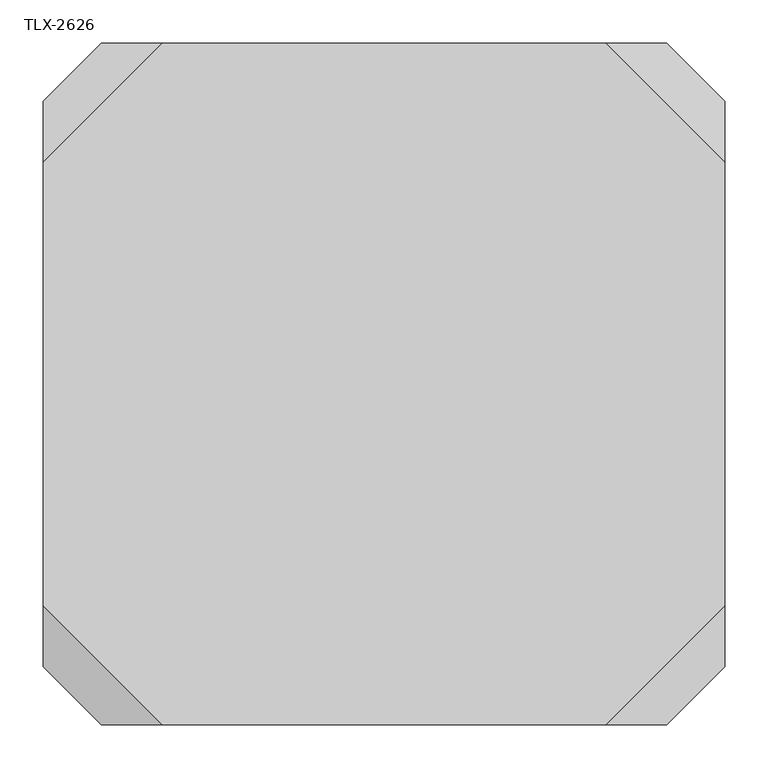
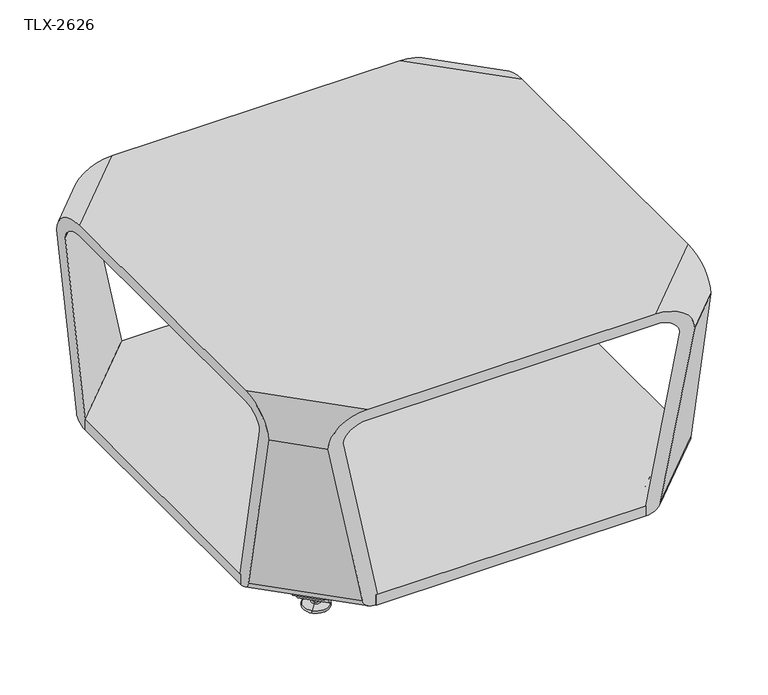
"""IFC4 building model written with IfcOpenShell, lengths in millimetres: furniture geometry, TLX-2626."""

from ifc_helpers import new_model, si_unit, point, frame, frame_2d, origin, place, context, project, spatial, polyline, circle_curve, ellipse_curve, trimmed, segment, composite_curve, outline, extrude, source, transform, mapped, element, save
from ifc_brep_helpers import plane_surface, cylinder_surface, revolved_surface, advanced_brep


def tlx_2626_ecda56d9(model_context):
    return source(origin(), model_context, "Body", "SolidModel", [
        extrude(outline(polyline([(48.8463, 760.7206386), (204.4795706, 916.3539092), (684.5815184, 916.3539092), (840.21505, 760.7203776), (840.21505, 280.6184321), (684.5817772, 124.9851592), (202.4653603, 124.9851592), (48.8463, 278.6042195), (48.8463, 760.7206386)])), frame((0.0, 0.0, 50.0000004), z_axis=(0.0, 0.0, 1.0), x_axis=(1.0, 0.0, 0.0)), (0.0, 0.0, 1.0), 18.9999985),
        advanced_brep(
        [(187.2373017, 124.9851592, 425.45), (701.8240484, 124.9851592, 425.45), (840.21505, 263.3761609, 425.45), (840.21505, 777.9629076, 425.45), (701.8240484, 916.3539092, 425.45), (187.2373017, 916.3539092, 425.45), (48.8463, 777.9629076, 425.45), (48.8463, 263.3761609, 425.45), (48.8463, 263.3761609, 406.0000002), (48.8463, 777.9629076, 406.0000002), (187.2373027, 916.3539082, 406.0000002), (701.8240484, 916.3539092, 406.0000002), (840.215049, 777.9629066, 406.0000002), (840.21505, 263.3761609, 406.0000002), (701.8240474, 124.9851602, 406.0000002), (187.2373017, 124.9851592, 406.0000002), (48.8463, 848.6736351, 375.0000029), (48.8463, 787.3290873, 66.3557108), (48.8463, 760.7205007, 50.0000004), (48.8463, 760.7205371, 68.9999989), (48.8463, 821.7722248, 376.1711523), (48.8463, 219.5668436, 376.1711523), (48.8463, 280.6185314, 68.9999989), (48.8463, 280.6185677, 50.0000004), (48.8463, 254.0099811, 66.3557108), (48.8463, 192.6654334, 375.0000029), (745.6333656, 124.9851592, 376.1711523), (684.5816779, 124.9851592, 68.9999989), (684.5816415, 124.9851592, 50.0000004), (711.1902281, 124.9851592, 66.3557108), (772.5347759, 124.9851592, 375.0000029), (116.5265742, 124.9851592, 375.0000029), (177.8711219, 124.9851592, 66.3557108), (204.4797085, 124.9851592, 50.0000004), (204.4796722, 124.9851592, 68.9999989), (143.4279845, 124.9851592, 376.1711523), (143.4279845, 916.3539092, 376.1711523), (204.4796722, 916.3539092, 68.9999989), (204.4797085, 916.3539092, 50.0000004), (177.8711219, 916.3539092, 66.3557108), (116.5265742, 916.3539092, 375.0000029), (745.6333656, 916.3539092, 376.1711523), (772.5347759, 916.3539092, 375.0000029), (711.1902281, 916.3539092, 66.3557108), (684.5816415, 916.3539092, 50.0000004), (684.5816779, 916.3539092, 68.9999989), (840.21505, 821.7722248, 376.1711523), (840.21505, 760.7205371, 68.9999989), (840.21505, 760.7205007, 50.0000004), (840.21505, 787.3290873, 66.3557108), (840.21505, 848.6736351, 375.0000029), (840.21505, 219.5668436, 376.1711523), (840.21505, 192.6654334, 375.0000029), (840.21505, 254.0099811, 66.3557108), (840.21505, 280.6185677, 50.0000004), (840.21505, 280.6185314, 68.9999989)],
        [
            (0, 1),
            (1, 2),
            (2, 3),
            (3, 4),
            (4, 5),
            (5, 6),
            (6, 7),
            (7, 0),
            (8, 9),
            (9, 10),
            (10, 11),
            (11, 12),
            (12, 13),
            (13, 14),
            (14, 15),
            (15, 8),
            (6, 16, ellipse_curve(frame((48.8463, 777.1245544, 374.8604405), z_axis=(-1.0, 0.0, 0.0), x_axis=(0.0, -1.0, 0.0)), 71.5493529, 50.5930326)),
            (16, 17),
            (17, 18, ellipse_curve(frame((48.8463, 760.7205266, 69.000001), z_axis=(-1.0, 0.0, 0.0), x_axis=(0.0, -1.0, 0.0)), 26.8700585, 19.0000006)),
            (18, 19),
            (19, 20),
            (20, 9, ellipse_curve(frame((48.8463, 777.9629055, 375.0000031), z_axis=(1.0, 0.0, 0.0), x_axis=(0.0, 1.0, 0.0)), 43.8406163, 30.9999971)),
            (8, 21, ellipse_curve(frame((48.8463, 263.3761629, 375.0000031), z_axis=(1.0, 0.0, 0.0), x_axis=(0.0, -1.0, 0.0)), 43.8406163, 30.9999971)),
            (21, 22),
            (22, 23),
            (23, 24, ellipse_curve(frame((48.8463, 280.6185418, 69.000001), z_axis=(-1.0, 0.0, 0.0), x_axis=(0.0, 1.0, 0.0)), 26.8700585, 19.0000006)),
            (24, 25),
            (25, 7, ellipse_curve(frame((48.8463, 264.214514, 374.8604405), z_axis=(-1.0, 0.0, 0.0), x_axis=(0.0, 1.0, 0.0)), 71.5493529, 50.5930326)),
            (14, 26, ellipse_curve(frame((701.8240463, 124.9851592, 375.0000031), z_axis=(0.0, 1.0, 0.0), x_axis=(-1.0, 0.0, 0.0)), 43.8406163, 30.9999971)),
            (26, 27),
            (27, 28),
            (28, 29, ellipse_curve(frame((684.5816674, 124.9851592, 69.000001), z_axis=(0.0, -1.0, 0.0), x_axis=(1.0, 0.0, 0.0)), 26.8700585, 19.0000006)),
            (29, 30),
            (30, 1, ellipse_curve(frame((700.9856953, 124.9851592, 374.8604405), z_axis=(0.0, -1.0, 0.0), x_axis=(1.0, 0.0, 0.0)), 71.5493529, 50.5930326)),
            (0, 31, ellipse_curve(frame((188.0756548, 124.9851592, 374.8604405), z_axis=(0.0, -1.0, 0.0), x_axis=(-1.0, 0.0, 0.0)), 71.5493529, 50.5930326)),
            (31, 32),
            (32, 33, ellipse_curve(frame((204.4796826, 124.9851592, 69.000001), z_axis=(0.0, -1.0, 0.0), x_axis=(-1.0, 0.0, 0.0)), 26.8700585, 19.0000006)),
            (33, 34),
            (34, 35),
            (35, 15, ellipse_curve(frame((187.2373037, 124.9851592, 375.0000031), z_axis=(0.0, 1.0, 0.0), x_axis=(1.0, 0.0, 0.0)), 43.8406163, 30.9999971)),
            (35, 21),
            (34, 22),
            (33, 23),
            (32, 24),
            (31, 25),
            (36, 10, ellipse_curve(frame((187.2373037, 916.3539092, 375.0000031), z_axis=(0.0, 1.0, 0.0), x_axis=(1.0, 0.0, 0.0)), 43.8406163, 30.9999971)),
            (20, 36),
            (37, 36),
            (19, 37),
            (38, 37),
            (18, 38),
            (39, 38, ellipse_curve(frame((204.4796826, 916.3539092, 69.000001), z_axis=(0.0, -1.0, 0.0), x_axis=(-1.0, 0.0, 0.0)), 26.8700585, 19.0000006)),
            (17, 39),
            (40, 39),
            (16, 40),
            (5, 40, ellipse_curve(frame((188.0756548, 916.3539092, 374.8604405), z_axis=(0.0, -1.0, 0.0), x_axis=(-1.0, 0.0, 0.0)), 71.5493529, 50.5930326)),
            (41, 11, ellipse_curve(frame((701.8240463, 916.3539092, 375.0000031), z_axis=(0.0, -1.0, 0.0), x_axis=(-1.0, 0.0, 0.0)), 43.8406163, 30.9999971)),
            (4, 42, ellipse_curve(frame((700.9856953, 916.3539092, 374.8604405), z_axis=(0.0, 1.0, 0.0), x_axis=(1.0, 0.0, 0.0)), 71.5493529, 50.5930326)),
            (42, 43),
            (43, 44, ellipse_curve(frame((684.5816674, 916.3539092, 69.000001), z_axis=(0.0, 1.0, 0.0), x_axis=(1.0, 0.0, 0.0)), 26.8700585, 19.0000006)),
            (44, 45),
            (45, 41),
            (46, 12, ellipse_curve(frame((840.21505, 777.9629055, 375.0000031), z_axis=(1.0, 0.0, 0.0), x_axis=(0.0, 1.0, 0.0)), 43.8406163, 30.9999971)),
            (41, 46),
            (47, 46),
            (45, 47),
            (48, 47),
            (44, 48),
            (49, 48, ellipse_curve(frame((840.21505, 760.7205266, 69.000001), z_axis=(-1.0, 0.0, 0.0), x_axis=(0.0, -1.0, 0.0)), 26.8700585, 19.0000006)),
            (43, 49),
            (50, 49),
            (42, 50),
            (3, 50, ellipse_curve(frame((840.21505, 777.1245544, 374.8604405), z_axis=(-1.0, 0.0, 0.0), x_axis=(0.0, -1.0, 0.0)), 71.5493529, 50.5930326)),
            (51, 13, ellipse_curve(frame((840.21505, 263.3761629, 375.0000031), z_axis=(-1.0, 0.0, 0.0), x_axis=(0.0, -1.0, 0.0)), 43.8406163, 30.9999971)),
            (2, 52, ellipse_curve(frame((840.21505, 264.214514, 374.8604405), z_axis=(1.0, 0.0, 0.0), x_axis=(0.0, 1.0, 0.0)), 71.5493529, 50.5930326)),
            (52, 53),
            (53, 54, ellipse_curve(frame((840.21505, 280.6185418, 69.000001), z_axis=(1.0, 0.0, 0.0), x_axis=(0.0, 1.0, 0.0)), 26.8700585, 19.0000006)),
            (54, 55),
            (55, 51),
            (51, 26),
            (55, 27),
            (54, 28),
            (53, 29),
            (52, 30),
        ],
        [
            plane_surface(frame((2.1485306, 310.0739303, 425.45), z_axis=(0.0, 0.0, 1.0), x_axis=(0.707106781186546, -0.707106781186549, 0.0))),
            plane_surface(frame((2.1485306, 310.0739303, 406.0000002), z_axis=(0.0, 0.0, -1.0), x_axis=(-0.707106781186546, 0.707106781186549, 0.0))),
            plane_surface(frame((48.8463, 777.9629076, 425.45), z_axis=(-1.0, 0.0, 0.0), x_axis=(0.0, 0.0, -1.0))),
            plane_surface(frame((840.21505, 124.9851592, 476.25), z_axis=(0.0, -1.0, 0.0), x_axis=(0.0, 0.0, -1.0))),
            revolved_surface(polyline([(187.23730373382668, 81.14454293382686, 375.0000031), (5.0056837338270554, 263.3761629338273, 375.0000031)]), (243.7653876, 68.4570754, 375.0000031), (0.707106781186546, -0.7071067811865491, 0.0)),
            plane_surface(frame((-29.5864435, 297.9995871, 376.1711523), z_axis=(0.7002252753679965, 0.7002252753679934, 0.13917301272743768), x_axis=(0.707106781186546, -0.7071067811865491, 0.0))),
            plane_surface(frame((0.9394004, 328.525431, 68.9999989), z_axis=(0.7071067811859026, 0.7071067811858995, 1.352248489994529e-06), x_axis=(0.707106781186546, -0.7071067811865491, 0.0))),
            cylinder_surface(frame((252.386577, 77.0782648, 69.000001), z_axis=(-0.707106781186546, 0.7071067811865491, 0.0), x_axis=(-0.7071067811865491, -0.707106781186546, 0.0)), 19.0000006),
            plane_surface(frame((-12.3648747, 315.2211559, 66.3557108), z_axis=(-0.7002252605744772, -0.7002252605744741, -0.1391731615894944), x_axis=(0.707106781186546, -0.7071067811865491, 0.0))),
            cylinder_surface(frame((244.1845631, 68.8762509, 374.8604405), z_axis=(-0.707106781186546, 0.7071067811865491, 0.0), x_axis=(-0.7071067811865491, -0.707106781186546, 0.0)), 50.5930326),
            revolved_surface(polyline([(187.23730368382664, 960.1945255161731, 375.0000031), (5.005683683827044, 777.9629055161728, 375.0000031)]), (243.7653876, 972.8819931, 375.0000031), (0.707106781186546, 0.7071067811865491, 0.0)),
            plane_surface(frame((0.9394004, 712.8136375, 68.9999989), z_axis=(0.7002252753679965, -0.7002252753679934, 0.13917301272743787), x_axis=(0.707106781186546, 0.7071067811865491, 0.0))),
            plane_surface(frame((0.9394186, 712.8136193, 50.0000004), z_axis=(0.7071067811859026, -0.7071067811858995, 1.352248489364839e-06), x_axis=(0.707106781186546, 0.7071067811865491, 0.0))),
            cylinder_surface(frame((252.386577, 964.2608036, 69.000001), z_axis=(-0.707106781186546, -0.7071067811865491, 0.0), x_axis=(-0.7071067811865491, 0.707106781186546, 0.0)), 19.0000006),
            plane_surface(frame((-43.0371486, 756.7901865, 375.0000029), z_axis=(-0.7002252605744772, 0.7002252605744741, -0.13917316158949417), x_axis=(0.707106781186546, 0.7071067811865491, 0.0))),
            cylinder_surface(frame((244.1845631, 972.4628175, 374.8604405), z_axis=(-0.707106781186546, -0.7071067811865491, 0.0), x_axis=(-0.7071067811865491, 0.707106781186546, 0.0)), 50.5930326),
            plane_surface(frame((48.8463, 916.3539092, 476.25), z_axis=(0.0, 1.0, 0.0), x_axis=(0.0, 0.0, -1.0))),
            revolved_surface(polyline([(701.8240463661734, 960.1945255661732, 375.0000031), (884.055666366173, 777.9629055661728, 375.0000031)]), (645.2959625, 972.8819931, 375.0000031), (-0.707106781186546, 0.7071067811865491, 0.0)),
            plane_surface(frame((918.6477935, 743.3394813, 376.1711523), z_axis=(-0.7002252753679965, -0.7002252753679934, 0.13917301272743787), x_axis=(-0.707106781186546, 0.7071067811865491, 0.0))),
            plane_surface(frame((888.1219497, 712.8136375, 68.9999989), z_axis=(-0.7071067811859026, -0.7071067811858995, 1.352248489364839e-06), x_axis=(-0.707106781186546, 0.7071067811865491, 0.0))),
            cylinder_surface(frame((636.674773, 964.2608036, 69.000001), z_axis=(0.707106781186546, -0.7071067811865491, 0.0), x_axis=(0.7071067811865491, 0.707106781186546, 0.0)), 19.0000006),
            plane_surface(frame((901.4262248, 726.1179126, 66.3557108), z_axis=(0.7002252605744772, 0.7002252605744741, -0.1391731615894943), x_axis=(-0.707106781186546, 0.7071067811865491, 0.0))),
            cylinder_surface(frame((644.8767869, 972.4628175, 374.8604405), z_axis=(0.707106781186546, -0.7071067811865491, 0.0), x_axis=(0.7071067811865491, 0.707106781186546, 0.0)), 50.5930326),
            plane_surface(frame((840.21505, 916.3539092, 476.25), z_axis=(1.0, 0.0, 0.0), x_axis=(0.0, 0.0, -1.0))),
            revolved_surface(polyline([(701.8240463161734, 81.14454288382686, 375.0000031), (884.055666316173, 263.3761628838273, 375.0000031)]), (645.2959625, 68.4570754, 375.0000031), (-0.707106781186546, -0.7071067811865491, 0.0)),
            plane_surface(frame((888.1219497, 328.525431, 68.9999989), z_axis=(-0.7002252753679964, 0.7002252753679935, 0.13917301272743776), x_axis=(-0.7071067811865461, -0.707106781186549, 0.0))),
            plane_surface(frame((888.1219315, 328.5254492, 50.0000004), z_axis=(-0.7071067811859026, 0.7071067811858995, 1.3522484887351925e-06), x_axis=(-0.707106781186546, -0.7071067811865491, 0.0))),
            cylinder_surface(frame((636.674773, 77.0782648, 69.000001), z_axis=(0.707106781186546, 0.7071067811865491, 0.0), x_axis=(0.7071067811865491, -0.707106781186546, 0.0)), 19.0000006),
            plane_surface(frame((932.0984987, 284.548882, 375.0000029), z_axis=(0.7002252605744771, -0.7002252605744742, -0.13917316158949428), x_axis=(-0.7071067811865461, -0.707106781186549, 0.0))),
            cylinder_surface(frame((644.8767869, 68.8762509, 374.8604405), z_axis=(0.707106781186546, 0.7071067811865491, 0.0), x_axis=(0.7071067811865491, -0.707106781186546, 0.0)), 50.5930326),
        ],
        [
            (0, [[1, 2, 3, 4, 5, 6, 7, 8]]),
            (1, [[9, 10, 11, 12, 13, 14, 15, 16]]),
            (2, [[-7, 17, 18, 19, 20, 21, 22, -9, 23, 24, 25, 26, 27, 28]]),
            (3, [[29, 30, 31, 32, 33, 34, -1, 35, 36, 37, 38, 39, 40, -15]]),
            (4, [[-40, 41, -23, -16]]),
            (5, [[-39, 42, -24, -41]]),
            (6, [[-38, 43, -25, -42]]),
            (7, [[-37, 44, -26, -43]]),
            (8, [[-36, 45, -27, -44]]),
            (9, [[-35, -8, -28, -45]]),
            (10, [[46, -10, -22, 47]]),
            (11, [[48, -47, -21, 49]]),
            (12, [[50, -49, -20, 51]]),
            (13, [[52, -51, -19, 53]]),
            (14, [[54, -53, -18, 55]]),
            (15, [[56, -55, -17, -6]]),
            (16, [[57, -11, -46, -48, -50, -52, -54, -56, -5, 58, 59, 60, 61, 62]]),
            (17, [[63, -12, -57, 64]]),
            (18, [[65, -64, -62, 66]]),
            (19, [[67, -66, -61, 68]]),
            (20, [[69, -68, -60, 70]]),
            (21, [[71, -70, -59, 72]]),
            (22, [[73, -72, -58, -4]]),
            (23, [[74, -13, -63, -65, -67, -69, -71, -73, -3, 75, 76, 77, 78, 79]]),
            (24, [[-74, 80, -29, -14]]),
            (25, [[-79, 81, -30, -80]]),
            (26, [[-78, 82, -31, -81]]),
            (27, [[-77, 83, -32, -82]]),
            (28, [[-76, 84, -33, -83]]),
            (29, [[-75, -2, -34, -84]]),
        ],
    ),
        advanced_brep(
        [(160.9802573, 237.1191165, 7.8133431), (154.2450652, 230.3839244, 7.8133431), (151.9582655, 228.0971247, 7.8133431), (163.267057, 239.4059162, 7.8133431), (142.0995325, 218.2383917, 4.0775), (173.12579, 249.2646492, 4.0775), (142.3898361, 218.5286953, 0.0), (172.8354864, 248.9743456, 0.0), (157.6126612, 233.7515204, 0.0), (157.6126612, 233.7515204, 50.0000004), (154.2450652, 230.3839244, 50.0000004), (160.9802573, 237.1191165, 50.0000004)],
        [
            (0, 1, circle_curve(frame((157.6126612, 233.7515204, 7.8133431), z_axis=(0.0, 0.0, -1.0), x_axis=(-0.7071067811865458, -0.7071067811865493, 0.0)), 4.7625)),
            (1, 2),
            (2, 3, circle_curve(frame((157.6126612, 233.7515204, 7.8133431), z_axis=(0.0, 0.0, 1.0), x_axis=(-0.7071067811865458, -0.7071067811865493, 0.0)), 7.9965232)),
            (3, 0),
            (1, 0, circle_curve(frame((157.6126612, 233.7515204, 7.8133431), z_axis=(0.0, 0.0, -1.0), x_axis=(-0.7071067811865458, -0.7071067811865493, 0.0)), 4.7625)),
            (3, 2, circle_curve(frame((157.6126612, 233.7515204, 7.8133431), z_axis=(0.0, 0.0, 1.0), x_axis=(-0.7071067811865458, -0.7071067811865493, 0.0)), 7.9965232)),
            (2, 4),
            (4, 5, circle_curve(frame((157.6126612, 233.7515204, 4.0775), z_axis=(0.0, 0.0, 1.0), x_axis=(-0.7071067811865458, -0.7071067811865493, 0.0)), 21.9388771)),
            (5, 3),
            (5, 4, circle_curve(frame((157.6126612, 233.7515204, 4.0775), z_axis=(0.0, 0.0, 1.0), x_axis=(-0.7071067811865458, -0.7071067811865493, 0.0)), 21.9388771)),
            (4, 6, circle_curve(frame((142.4794774, 218.6183366, 2.0721829), z_axis=(0.7071067811865493, -0.7071067811865458, 0.0), x_axis=(0.7071067811865458, 0.7071067811865493, 0.0)), 2.0760571)),
            (6, 7, circle_curve(frame((157.6126612, 233.7515204, 0.0), z_axis=(0.0, 0.0, 1.0), x_axis=(-0.7071067811865458, -0.7071067811865493, 0.0)), 21.5283258)),
            (7, 5, circle_curve(frame((172.7458451, 248.8847043, 2.0721829), z_axis=(0.707106781186547, -0.7071067811865481, 0.0), x_axis=(-0.7071067811865481, -0.707106781186547, 0.0)), 2.0760571)),
            (7, 6, circle_curve(frame((157.6126612, 233.7515204, 0.0), z_axis=(0.0, 0.0, 1.0), x_axis=(-0.7071067811865458, -0.7071067811865493, 0.0)), 21.5283258)),
            (6, 8),
            (8, 7),
            (9, 10),
            (10, 11, circle_curve(frame((157.6126612, 233.7515204, 50.0000004), z_axis=(0.0, 0.0, 1.0), x_axis=(-0.7071067811865458, -0.7071067811865493, 0.0)), 4.7625)),
            (11, 9),
            (11, 10, circle_curve(frame((157.6126612, 233.7515204, 50.0000004), z_axis=(0.0, 0.0, 1.0), x_axis=(-0.7071067811865458, -0.7071067811865493, 0.0)), 4.7625)),
            (10, 1),
            (0, 11),
        ],
        [
            plane_surface(frame((157.6126612, 233.7515204, 7.8133431), z_axis=(0.0, 0.0, 1.0), x_axis=(-0.7071067811865458, -0.7071067811865493, 0.0))),
            revolved_surface(polyline([(142.0995325, 218.2383917, 4.0775), (151.9582655, 228.0971247, 7.8133431)]), (157.6126612, 233.7515204, 0.0), (0.0, 0.0, 1.0)),
            revolved_surface(trimmed(ellipse_curve(frame((142.4794774, 218.6183366, 2.0721829), z_axis=(-0.7071067811865493, 0.7071067811865458, 0.0), x_axis=(0.7071067811865458, 0.7071067811865493, 0.0)), 2.0760571, 2.0760571), [point((142.3898361, 218.5286953, 0.0))], [point((142.0995325, 218.2383917, 4.0775))], True, "CARTESIAN"), (157.6126612, 233.7515204, 0.0), (0.0, 0.0, 1.0)),
            plane_surface(frame((157.6126612, 233.7515204, 0.0), z_axis=(0.0, 0.0, -1.0), x_axis=(-0.7071067811865458, -0.7071067811865493, 0.0))),
            plane_surface(frame((157.6126612, 233.7515204, 50.0000004), z_axis=(0.0, 0.0, 1.0), x_axis=(-0.7071067811865458, -0.7071067811865493, 0.0))),
            cylinder_surface(frame((157.6126612, 233.7515204, 0.0), z_axis=(0.0, 0.0, 1.0), x_axis=(-0.7071067811865458, -0.7071067811865493, 0.0)), 4.7625),
        ],
        [
            (0, [[1, 2, 3, 4]]),
            (0, [[5, -4, 6, -2]]),
            (1, [[-3, 7, 8, 9]]),
            (1, [[-6, -9, 10, -7]]),
            (2, [[-8, 11, 12, 13]]),
            (2, [[-10, -13, 14, -11]]),
            (3, [[-12, 15, 16]]),
            (3, [[-14, -16, -15]]),
            (4, [[17, 18, 19]]),
            (4, [[-19, 20, -17]]),
            (5, [[-18, 21, -1, 22]]),
            (5, [[-20, -22, -5, -21]]),
        ],
    ),
        extrude(outline(composite_curve([segment(polyline([(9.310002, 9.3100021), (9.310002, 19.1875394)]), True, "CONTINUOUS"), segment(trimmed(circle_curve(frame_2d((0.0, 19.1875394)), 9.310002), [point((9.310002, 19.1875394))], [point((0.7937553, 28.4636426))], True, "CARTESIAN"), True, "CONTINUOUS"), segment(polyline([(0.7937553, 28.4636426), (-6.9117032, 29.1229979)]), True, "CONTINUOUS"), segment(trimmed(circle_curve(frame_2d((-4.8241067, 43.9770201)), 15.000001), [point((-6.9117032, 29.1229979))], [point((-19.8241077, 43.9770201))], False, "CARTESIAN"), True, "CONTINUOUS"), segment(polyline([(-19.8241077, 43.9770201), (-19.8241077, 59.4425547), (-14.1341071, 59.4425547), (-14.1341071, 43.9770215)]), True, "CONTINUOUS"), segment(trimmed(circle_curve(frame_2d((-4.8241051, 43.9770215)), 9.310002), [point((-14.1341071, 43.9770215))], [point((-6.1198051, 34.7576234))], True, "CARTESIAN"), True, "CONTINUOUS"), segment(polyline([(-6.1198051, 34.7576234), (1.7775308, 34.0818492)]), True, "CONTINUOUS"), segment(trimmed(circle_curve(frame_2d((1.6e-06, 19.1875408)), 15.000001), [point((1.7775308, 34.0818492))], [point((15.0000026, 19.1875408))], False, "CARTESIAN"), True, "CONTINUOUS"), segment(polyline([(15.0000026, 19.1875408), (15.0000026, 9.3100007)]), True, "CONTINUOUS"), segment(trimmed(circle_curve(frame_2d((1.6e-06, 9.3100007)), 15.000001), [point((15.0000026, 9.3100007))], [point((1.7775308, -5.5843076))], False, "CARTESIAN"), True, "CONTINUOUS"), segment(polyline([(1.7775308, -5.5843076), (-6.1198051, -6.260082)]), True, "CONTINUOUS"), segment(trimmed(circle_curve(frame_2d((-4.8241051, -15.4794799)), 9.310002), [point((-6.1198051, -6.260082))], [point((-14.1341071, -15.4794799))], True, "CARTESIAN"), True, "CONTINUOUS"), segment(polyline([(-14.1341071, -15.4794799), (-14.1341071, -30.9450132), (-19.8241077, -30.9450132), (-19.8241077, -15.4794786)]), True, "CONTINUOUS"), segment(trimmed(circle_curve(frame_2d((-4.8241067, -15.4794786)), 15.000001), [point((-19.8241077, -15.4794786))], [point((-6.9117032, -0.6254565))], False, "CARTESIAN"), True, "CONTINUOUS"), segment(polyline([(-6.9117032, -0.6254565), (0.7937553, 0.0338988)]), True, "CONTINUOUS"), segment(trimmed(circle_curve(frame_2d((0.0, 9.3100021)), 9.310002), [point((0.7937553, 0.0338988))], [point((9.310002, 9.3100021))], True, "CARTESIAN"), True, "CONTINUOUS")], self_intersect=False)), frame((185.6485759, 225.8664106, 30.0000023), z_axis=(-0.7071067811865467, 0.7071067811865483, 0.0), x_axis=(0.0, 0.0, -1.0)), (0.0, 0.0, 1.0), 50.8),
        advanced_brep(
        [(163.267057, 801.9331522, 7.8133431), (151.9582655, 813.2419438, 7.8133431), (154.2450652, 810.955144, 7.8133431), (160.9802573, 804.219952, 7.8133431), (173.12579, 792.0744192, 4.0775), (142.0995325, 823.1006768, 4.0775), (172.8354864, 792.3647228, 0.0), (142.3898361, 822.8103732, 0.0), (157.6126612, 807.587548, 0.0), (160.9802573, 804.219952, 50.0000004), (154.2450652, 810.955144, 50.0000004), (157.6126612, 807.587548, 50.0000004)],
        [
            (0, 1, circle_curve(frame((157.6126612, 807.587548, 7.8133431), z_axis=(0.0, 0.0, 1.0), x_axis=(-0.7071067811865458, 0.7071067811865493, 0.0)), 7.9965232)),
            (1, 2),
            (2, 3, circle_curve(frame((157.6126612, 807.587548, 7.8133431), z_axis=(0.0, 0.0, -1.0), x_axis=(-0.7071067811865458, 0.7071067811865493, 0.0)), 4.7625)),
            (3, 0),
            (1, 0, circle_curve(frame((157.6126612, 807.587548, 7.8133431), z_axis=(0.0, 0.0, 1.0), x_axis=(-0.7071067811865458, 0.7071067811865493, 0.0)), 7.9965232)),
            (3, 2, circle_curve(frame((157.6126612, 807.587548, 7.8133431), z_axis=(0.0, 0.0, -1.0), x_axis=(-0.7071067811865458, 0.7071067811865493, 0.0)), 4.7625)),
            (4, 5, circle_curve(frame((157.6126612, 807.587548, 4.0775), z_axis=(0.0, 0.0, 1.0), x_axis=(-0.7071067811865458, 0.7071067811865493, 0.0)), 21.9388771)),
            (5, 1),
            (0, 4),
            (5, 4, circle_curve(frame((157.6126612, 807.587548, 4.0775), z_axis=(0.0, 0.0, 1.0), x_axis=(-0.7071067811865458, 0.7071067811865493, 0.0)), 21.9388771)),
            (6, 7, circle_curve(frame((157.6126612, 807.587548, 0.0), z_axis=(0.0, 0.0, 1.0), x_axis=(-0.7071067811865458, 0.7071067811865493, 0.0)), 21.5283258)),
            (7, 5, circle_curve(frame((142.4794774, 822.7207319, 2.0721829), z_axis=(0.7071067811865493, 0.7071067811865458, 0.0), x_axis=(0.7071067811865458, -0.7071067811865493, 0.0)), 2.0760571)),
            (4, 6, circle_curve(frame((172.7458451, 792.4543641, 2.0721829), z_axis=(0.707106781186547, 0.7071067811865481, 0.0), x_axis=(-0.7071067811865481, 0.707106781186547, 0.0)), 2.0760571)),
            (7, 6, circle_curve(frame((157.6126612, 807.587548, 0.0), z_axis=(0.0, 0.0, 1.0), x_axis=(-0.7071067811865458, 0.7071067811865493, 0.0)), 21.5283258)),
            (8, 7),
            (6, 8),
            (9, 10, circle_curve(frame((157.6126612, 807.587548, 50.0000004), z_axis=(0.0, 0.0, 1.0), x_axis=(-0.7071067811865458, 0.7071067811865493, 0.0)), 4.7625)),
            (10, 11),
            (11, 9),
            (10, 9, circle_curve(frame((157.6126612, 807.587548, 50.0000004), z_axis=(0.0, 0.0, 1.0), x_axis=(-0.7071067811865458, 0.7071067811865493, 0.0)), 4.7625)),
            (2, 10),
            (9, 3),
        ],
        [
            plane_surface(frame((157.6126612, 807.587548, 7.8133431), z_axis=(0.0, 0.0, 1.0), x_axis=(-0.7071067811865458, 0.7071067811865493, 0.0))),
            revolved_surface(polyline([(151.9582655, 813.2419438, 7.8133431), (142.0995325, 823.1006768, 4.0775)]), (157.6126612, 807.587548, 0.0), (0.0, 0.0, -1.0)),
            revolved_surface(trimmed(ellipse_curve(frame((142.4794774, 822.7207319, 2.0721829), z_axis=(-0.7071067811865493, -0.7071067811865458, 0.0), x_axis=(0.7071067811865458, -0.7071067811865493, 0.0)), 2.0760571, 2.0760571), [point((142.0995325, 823.1006768, 4.0775))], [point((142.3898361, 822.8103732, 0.0))], True, "CARTESIAN"), (157.6126612, 807.587548, 0.0), (0.0, 0.0, -1.0)),
            plane_surface(frame((157.6126612, 807.587548, 0.0), z_axis=(0.0, 0.0, -1.0), x_axis=(-0.7071067811865458, 0.7071067811865493, 0.0))),
            plane_surface(frame((157.6126612, 807.587548, 50.0000004), z_axis=(0.0, 0.0, 1.0), x_axis=(-0.7071067811865458, 0.7071067811865493, 0.0))),
            cylinder_surface(frame((157.6126612, 807.587548, 0.0), z_axis=(0.0, 0.0, -1.0), x_axis=(-0.7071067811865458, 0.7071067811865493, 0.0)), 4.7625),
        ],
        [
            (0, [[1, 2, 3, 4]]),
            (0, [[5, -4, 6, -2]]),
            (1, [[7, 8, -1, 9]]),
            (1, [[10, -9, -5, -8]]),
            (2, [[11, 12, -7, 13]]),
            (2, [[14, -13, -10, -12]]),
            (3, [[15, -11, 16]]),
            (3, [[-16, -14, -15]]),
            (4, [[17, 18, 19]]),
            (4, [[20, -19, -18]]),
            (5, [[-3, 21, -17, 22]]),
            (5, [[-6, -22, -20, -21]]),
        ],
    ),
        extrude(outline(composite_curve([segment(polyline([(42.6726288, 0.0), (52.5501662, 0.0)]), True, "CONTINUOUS"), segment(trimmed(circle_curve(frame_2d((52.5501662, 9.310002)), 9.310002), [point((52.5501662, 0.0))], [point((61.8262694, 8.5162467))], True, "CARTESIAN"), True, "CONTINUOUS"), segment(polyline([(61.8262694, 8.5162467), (62.4856247, 16.2217052)]), True, "CONTINUOUS"), segment(trimmed(circle_curve(frame_2d((77.3396468, 14.1341087)), 15.000001), [point((62.4856247, 16.2217052))], [point((77.3396468, 29.1341097))], False, "CARTESIAN"), True, "CONTINUOUS"), segment(polyline([(77.3396468, 29.1341097), (92.8051815, 29.1341097), (92.8051815, 23.4441091), (77.3396481, 23.4441091)]), True, "CONTINUOUS"), segment(trimmed(circle_curve(frame_2d((77.3396481, 14.1341071)), 9.310002), [point((77.3396481, 23.4441091))], [point((68.1202502, 15.4298071))], True, "CARTESIAN"), True, "CONTINUOUS"), segment(polyline([(68.1202502, 15.4298071), (67.4444759, 7.5324712)]), True, "CONTINUOUS"), segment(trimmed(circle_curve(frame_2d((52.5501676, 9.3100004)), 15.000001), [point((67.4444759, 7.5324712))], [point((52.5501676, -5.6900006))], False, "CARTESIAN"), True, "CONTINUOUS"), segment(polyline([(52.5501676, -5.6900006), (42.6726274, -5.6900006)]), True, "CONTINUOUS"), segment(trimmed(circle_curve(frame_2d((42.6726274, 9.3100004)), 15.000001), [point((42.6726274, -5.6900006))], [point((27.778319, 7.5324712))], False, "CARTESIAN"), True, "CONTINUOUS"), segment(polyline([(27.778319, 7.5324712), (27.1025448, 15.4298071)]), True, "CONTINUOUS"), segment(trimmed(circle_curve(frame_2d((17.8831468, 14.1341071)), 9.310002), [point((27.1025448, 15.4298071))], [point((17.8831468, 23.4441091))], True, "CARTESIAN"), True, "CONTINUOUS"), segment(polyline([(17.8831468, 23.4441091), (2.4176136, 23.4441091), (2.4176136, 29.1341097), (17.8831482, 29.1341097)]), True, "CONTINUOUS"), segment(trimmed(circle_curve(frame_2d((17.8831482, 14.1341087)), 15.000001), [point((17.8831482, 29.1341097))], [point((32.7371703, 16.2217052))], False, "CARTESIAN"), True, "CONTINUOUS"), segment(polyline([(32.7371703, 16.2217052), (33.3965256, 8.5162467)]), True, "CONTINUOUS"), segment(trimmed(circle_curve(frame_2d((42.6726288, 9.310002)), 9.310002), [point((33.3965256, 8.5162467))], [point((42.6726288, 0.0))], True, "CARTESIAN"), True, "CONTINUOUS")], self_intersect=False)), frame((173.318491, 755.9606937, 20.6900003), z_axis=(0.7071067811865468, 0.7071067811865483, 0.0), x_axis=(-0.7071067811865483, 0.7071067811865468, 0.0)), (0.0, 0.0, 1.0), 50.8),
        advanced_brep(
        [(728.0810928, 804.219952, 7.8133431), (734.8162849, 810.955144, 7.8133431), (737.1030846, 813.2419438, 7.8133431), (725.7942931, 801.9331522, 7.8133431), (746.9618176, 823.1006768, 4.0775), (715.9355601, 792.0744192, 4.0775), (746.671514, 822.8103732, 0.0), (716.2258636, 792.3647228, 0.0), (731.4486888, 807.587548, 0.0), (731.4486888, 807.587548, 50.0000004), (734.8162849, 810.955144, 50.0000004), (728.0810928, 804.219952, 50.0000004)],
        [
            (0, 1, circle_curve(frame((731.4486888, 807.587548, 7.8133431), z_axis=(0.0, 0.0, -1.0), x_axis=(0.7071067811865458, 0.7071067811865493, 0.0)), 4.7625)),
            (1, 2),
            (2, 3, circle_curve(frame((731.4486888, 807.587548, 7.8133431), z_axis=(0.0, 0.0, 1.0), x_axis=(0.7071067811865458, 0.7071067811865493, 0.0)), 7.9965232)),
            (3, 0),
            (1, 0, circle_curve(frame((731.4486888, 807.587548, 7.8133431), z_axis=(0.0, 0.0, -1.0), x_axis=(0.7071067811865458, 0.7071067811865493, 0.0)), 4.7625)),
            (3, 2, circle_curve(frame((731.4486888, 807.587548, 7.8133431), z_axis=(0.0, 0.0, 1.0), x_axis=(0.7071067811865458, 0.7071067811865493, 0.0)), 7.9965232)),
            (2, 4),
            (4, 5, circle_curve(frame((731.4486888, 807.587548, 4.0775), z_axis=(0.0, 0.0, 1.0), x_axis=(0.7071067811865458, 0.7071067811865493, 0.0)), 21.9388771)),
            (5, 3),
            (5, 4, circle_curve(frame((731.4486888, 807.587548, 4.0775), z_axis=(0.0, 0.0, 1.0), x_axis=(0.7071067811865458, 0.7071067811865493, 0.0)), 21.9388771)),
            (4, 6, circle_curve(frame((746.5818727, 822.7207319, 2.0721829), z_axis=(-0.7071067811865493, 0.7071067811865458, 0.0), x_axis=(-0.7071067811865458, -0.7071067811865493, 0.0)), 2.0760571)),
            (6, 7, circle_curve(frame((731.4486888, 807.587548, 0.0), z_axis=(0.0, 0.0, 1.0), x_axis=(0.7071067811865458, 0.7071067811865493, 0.0)), 21.5283258)),
            (7, 5, circle_curve(frame((716.3155049, 792.4543641, 2.0721829), z_axis=(-0.707106781186547, 0.7071067811865481, 0.0), x_axis=(0.7071067811865481, 0.707106781186547, 0.0)), 2.0760571)),
            (7, 6, circle_curve(frame((731.4486888, 807.587548, 0.0), z_axis=(0.0, 0.0, 1.0), x_axis=(0.7071067811865458, 0.7071067811865493, 0.0)), 21.5283258)),
            (6, 8),
            (8, 7),
            (9, 10),
            (10, 11, circle_curve(frame((731.4486888, 807.587548, 50.0000004), z_axis=(0.0, 0.0, 1.0), x_axis=(0.7071067811865458, 0.7071067811865493, 0.0)), 4.7625)),
            (11, 9),
            (11, 10, circle_curve(frame((731.4486888, 807.587548, 50.0000004), z_axis=(0.0, 0.0, 1.0), x_axis=(0.7071067811865458, 0.7071067811865493, 0.0)), 4.7625)),
            (10, 1),
            (0, 11),
        ],
        [
            plane_surface(frame((731.4486888, 807.587548, 7.8133431), z_axis=(0.0, 0.0, 1.0), x_axis=(0.7071067811865458, 0.7071067811865493, 0.0))),
            revolved_surface(polyline([(746.9618176, 823.1006768, 4.0775), (737.1030846, 813.2419438, 7.8133431)]), (731.4486888, 807.587548, 0.0), (0.0, 0.0, 1.0)),
            revolved_surface(trimmed(ellipse_curve(frame((746.5818727, 822.7207319, 2.0721829), z_axis=(0.7071067811865493, -0.7071067811865458, 0.0), x_axis=(-0.7071067811865458, -0.7071067811865493, 0.0)), 2.0760571, 2.0760571), [point((746.671514, 822.8103732, 0.0))], [point((746.9618176, 823.1006768, 4.0775))], True, "CARTESIAN"), (731.4486888, 807.587548, 0.0), (0.0, 0.0, 1.0)),
            plane_surface(frame((731.4486888, 807.587548, 0.0), z_axis=(0.0, 0.0, -1.0), x_axis=(0.7071067811865458, 0.7071067811865493, 0.0))),
            plane_surface(frame((731.4486888, 807.587548, 50.0000004), z_axis=(0.0, 0.0, 1.0), x_axis=(0.7071067811865458, 0.7071067811865493, 0.0))),
            cylinder_surface(frame((731.4486888, 807.587548, 0.0), z_axis=(0.0, 0.0, 1.0), x_axis=(0.7071067811865458, 0.7071067811865493, 0.0)), 4.7625),
        ],
        [
            (0, [[1, 2, 3, 4]]),
            (0, [[5, -4, 6, -2]]),
            (1, [[-3, 7, 8, 9]]),
            (1, [[-6, -9, 10, -7]]),
            (2, [[-8, 11, 12, 13]]),
            (2, [[-10, -13, 14, -11]]),
            (3, [[-12, 15, 16]]),
            (3, [[-14, -16, -15]]),
            (4, [[17, 18, 19]]),
            (4, [[-19, 20, -17]]),
            (5, [[-18, 21, -1, 22]]),
            (5, [[-20, -22, -5, -21]]),
        ],
    ),
        extrude(outline(composite_curve([segment(trimmed(circle_curve(frame_2d((0.0, 9.3100019)), 9.310002), [point((-9.310002, 9.3100019))], [point((-0.7937553, 0.0338988))], True, "CARTESIAN"), True, "CONTINUOUS"), segment(polyline([(-0.7937553, 0.0338988), (6.9117032, -0.6254566)]), True, "CONTINUOUS"), segment(trimmed(circle_curve(frame_2d((4.8241067, -15.4794786)), 15.000001), [point((6.9117032, -0.6254566))], [point((19.8241077, -15.4794786))], False, "CARTESIAN"), True, "CONTINUOUS"), segment(polyline([(19.8241077, -15.4794786), (19.8241077, -30.9450132), (14.1341071, -30.9450132), (14.1341071, -15.47948)]), True, "CONTINUOUS"), segment(trimmed(circle_curve(frame_2d((4.8241051, -15.47948)), 9.310002), [point((14.1341071, -15.47948))], [point((6.1198051, -6.2600821))], True, "CARTESIAN"), True, "CONTINUOUS"), segment(polyline([(6.1198051, -6.2600821), (-1.7775308, -5.5843078)]), True, "CONTINUOUS"), segment(trimmed(circle_curve(frame_2d((-1.6e-06, 9.3100005)), 15.000001), [point((-1.7775308, -5.5843078))], [point((-15.0000026, 9.3100005))], False, "CARTESIAN"), True, "CONTINUOUS"), segment(polyline([(-15.0000026, 9.3100005), (-15.0000026, 19.1875408)]), True, "CONTINUOUS"), segment(trimmed(circle_curve(frame_2d((-1.6e-06, 19.1875408)), 15.000001), [point((-15.0000026, 19.1875408))], [point((-1.7775308, 34.0818491))], False, "CARTESIAN"), True, "CONTINUOUS"), segment(polyline([(-1.7775308, 34.0818491), (6.1198051, 34.7576234)]), True, "CONTINUOUS"), segment(trimmed(circle_curve(frame_2d((4.8241051, 43.9770213)), 9.310002), [point((6.1198051, 34.7576234))], [point((14.1341071, 43.9770213))], True, "CARTESIAN"), True, "CONTINUOUS"), segment(polyline([(14.1341071, 43.9770213), (14.1341071, 59.4425546), (19.8241077, 59.4425546), (19.8241077, 43.9770199)]), True, "CONTINUOUS"), segment(trimmed(circle_curve(frame_2d((4.8241067, 43.9770199)), 15.000001), [point((19.8241077, 43.9770199))], [point((6.9117032, 29.1229979))], False, "CARTESIAN"), True, "CONTINUOUS"), segment(polyline([(6.9117032, 29.1229979), (-0.7937553, 28.4636425)]), True, "CONTINUOUS"), segment(trimmed(circle_curve(frame_2d((0.0, 19.1875394)), 9.310002), [point((-0.7937553, 28.4636425))], [point((-9.310002, 19.1875394))], True, "CARTESIAN"), True, "CONTINUOUS"), segment(polyline([(-9.310002, 19.1875394), (-9.310002, 9.3100019)]), True, "CONTINUOUS")], self_intersect=False)), frame((739.3337987, 779.5516334, 30.0000023), z_axis=(-0.7071067811865467, 0.7071067811865483, 0.0), x_axis=(0.0, 0.0, 1.0)), (0.0, 0.0, 1.0), 50.8),
        advanced_brep(
        [(725.7942931, 239.4059162, 7.8133431), (737.1030846, 228.0971247, 7.8133431), (734.8162849, 230.3839244, 7.8133431), (728.0810928, 237.1191165, 7.8133431), (715.9355601, 249.2646492, 4.0775), (746.9618176, 218.2383917, 4.0775), (716.2258636, 248.9743456, 0.0), (746.671514, 218.5286953, 0.0), (731.4486888, 233.7515204, 0.0), (728.0810928, 237.1191165, 50.0000004), (734.8162849, 230.3839244, 50.0000004), (731.4486888, 233.7515204, 50.0000004)],
        [
            (0, 1, circle_curve(frame((731.4486888, 233.7515204, 7.8133431), z_axis=(0.0, 0.0, 1.0), x_axis=(0.7071067811865458, -0.7071067811865493, 0.0)), 7.9965232)),
            (1, 2),
            (2, 3, circle_curve(frame((731.4486888, 233.7515204, 7.8133431), z_axis=(0.0, 0.0, -1.0), x_axis=(0.7071067811865458, -0.7071067811865493, 0.0)), 4.7625)),
            (3, 0),
            (1, 0, circle_curve(frame((731.4486888, 233.7515204, 7.8133431), z_axis=(0.0, 0.0, 1.0), x_axis=(0.7071067811865458, -0.7071067811865493, 0.0)), 7.9965232)),
            (3, 2, circle_curve(frame((731.4486888, 233.7515204, 7.8133431), z_axis=(0.0, 0.0, -1.0), x_axis=(0.7071067811865458, -0.7071067811865493, 0.0)), 4.7625)),
            (4, 5, circle_curve(frame((731.4486888, 233.7515204, 4.0775), z_axis=(0.0, 0.0, 1.0), x_axis=(0.7071067811865458, -0.7071067811865493, 0.0)), 21.9388771)),
            (5, 1),
            (0, 4),
            (5, 4, circle_curve(frame((731.4486888, 233.7515204, 4.0775), z_axis=(0.0, 0.0, 1.0), x_axis=(0.7071067811865458, -0.7071067811865493, 0.0)), 21.9388771)),
            (6, 7, circle_curve(frame((731.4486888, 233.7515204, 0.0), z_axis=(0.0, 0.0, 1.0), x_axis=(0.7071067811865458, -0.7071067811865493, 0.0)), 21.5283258)),
            (7, 5, circle_curve(frame((746.5818727, 218.6183366, 2.0721829), z_axis=(-0.7071067811865493, -0.7071067811865458, 0.0), x_axis=(-0.7071067811865458, 0.7071067811865493, 0.0)), 2.0760571)),
            (4, 6, circle_curve(frame((716.3155049, 248.8847043, 2.0721829), z_axis=(-0.707106781186547, -0.7071067811865481, 0.0), x_axis=(0.7071067811865481, -0.707106781186547, 0.0)), 2.0760571)),
            (7, 6, circle_curve(frame((731.4486888, 233.7515204, 0.0), z_axis=(0.0, 0.0, 1.0), x_axis=(0.7071067811865458, -0.7071067811865493, 0.0)), 21.5283258)),
            (8, 7),
            (6, 8),
            (9, 10, circle_curve(frame((731.4486888, 233.7515204, 50.0000004), z_axis=(0.0, 0.0, 1.0), x_axis=(0.7071067811865458, -0.7071067811865493, 0.0)), 4.7625)),
            (10, 11),
            (11, 9),
            (10, 9, circle_curve(frame((731.4486888, 233.7515204, 50.0000004), z_axis=(0.0, 0.0, 1.0), x_axis=(0.7071067811865458, -0.7071067811865493, 0.0)), 4.7625)),
            (2, 10),
            (9, 3),
        ],
        [
            plane_surface(frame((731.4486888, 233.7515204, 7.8133431), z_axis=(0.0, 0.0, 1.0), x_axis=(0.7071067811865458, -0.7071067811865493, 0.0))),
            revolved_surface(polyline([(737.1030846, 228.0971247, 7.8133431), (746.9618176, 218.2383917, 4.0775)]), (731.4486888, 233.7515204, 0.0), (0.0, 0.0, -1.0)),
            revolved_surface(trimmed(ellipse_curve(frame((746.5818727, 218.6183366, 2.0721829), z_axis=(0.7071067811865493, 0.7071067811865458, 0.0), x_axis=(-0.7071067811865458, 0.7071067811865493, 0.0)), 2.0760571, 2.0760571), [point((746.9618176, 218.2383917, 4.0775))], [point((746.671514, 218.5286953, 0.0))], True, "CARTESIAN"), (731.4486888, 233.7515204, 0.0), (0.0, 0.0, -1.0)),
            plane_surface(frame((731.4486888, 233.7515204, 0.0), z_axis=(0.0, 0.0, -1.0), x_axis=(0.7071067811865458, -0.7071067811865493, 0.0))),
            plane_surface(frame((731.4486888, 233.7515204, 50.0000004), z_axis=(0.0, 0.0, 1.0), x_axis=(0.7071067811865458, -0.7071067811865493, 0.0))),
            cylinder_surface(frame((731.4486888, 233.7515204, 0.0), z_axis=(0.0, 0.0, -1.0), x_axis=(0.7071067811865458, -0.7071067811865493, 0.0)), 4.7625),
        ],
        [
            (0, [[1, 2, 3, 4]]),
            (0, [[5, -4, 6, -2]]),
            (1, [[7, 8, -1, 9]]),
            (1, [[10, -9, -5, -8]]),
            (2, [[11, 12, -7, 13]]),
            (2, [[14, -13, -10, -12]]),
            (3, [[15, -11, 16]]),
            (3, [[-16, -14, -15]]),
            (4, [[17, 18, 19]]),
            (4, [[20, -19, -18]]),
            (5, [[-3, 21, -17, 22]]),
            (5, [[-6, -22, -20, -21]]),
        ],
    ),
        extrude(outline(composite_curve([segment(trimmed(circle_curve(frame_2d((-42.6726287, 9.310002)), 9.310002), [point((-42.6726287, 0.0))], [point((-33.3965256, 8.5162467))], True, "CARTESIAN"), True, "CONTINUOUS"), segment(polyline([(-33.3965256, 8.5162467), (-32.7371702, 16.2217052)]), True, "CONTINUOUS"), segment(trimmed(circle_curve(frame_2d((-17.8831481, 14.1341087)), 15.000001), [point((-32.7371702, 16.2217052))], [point((-17.8831481, 29.1341097))], False, "CARTESIAN"), True, "CONTINUOUS"), segment(polyline([(-17.8831481, 29.1341097), (-2.4176135, 29.1341097), (-2.4176135, 23.4441091), (-17.8831468, 23.4441091)]), True, "CONTINUOUS"), segment(trimmed(circle_curve(frame_2d((-17.8831468, 14.1341071)), 9.310002), [point((-17.8831468, 23.4441091))], [point((-27.1025447, 15.4298071))], True, "CARTESIAN"), True, "CONTINUOUS"), segment(polyline([(-27.1025447, 15.4298071), (-27.778319, 7.5324712)]), True, "CONTINUOUS"), segment(trimmed(circle_curve(frame_2d((-42.6726274, 9.3100004)), 15.000001), [point((-27.778319, 7.5324712))], [point((-42.6726274, -5.6900006))], False, "CARTESIAN"), True, "CONTINUOUS"), segment(polyline([(-42.6726274, -5.6900006), (-52.5501675, -5.6900006)]), True, "CONTINUOUS"), segment(trimmed(circle_curve(frame_2d((-52.5501675, 9.3100004)), 15.000001), [point((-52.5501675, -5.6900006))], [point((-67.4444759, 7.5324712))], False, "CARTESIAN"), True, "CONTINUOUS"), segment(polyline([(-67.4444759, 7.5324712), (-68.1202501, 15.4298071)]), True, "CONTINUOUS"), segment(trimmed(circle_curve(frame_2d((-77.3396481, 14.1341071)), 9.310002), [point((-68.1202501, 15.4298071))], [point((-77.3396481, 23.4441091))], True, "CARTESIAN"), True, "CONTINUOUS"), segment(polyline([(-77.3396481, 23.4441091), (-92.8051814, 23.4441091), (-92.8051814, 29.1341097), (-77.3396467, 29.1341097)]), True, "CONTINUOUS"), segment(trimmed(circle_curve(frame_2d((-77.3396467, 14.1341087)), 15.000001), [point((-77.3396467, 29.1341097))], [point((-62.4856246, 16.2217052))], False, "CARTESIAN"), True, "CONTINUOUS"), segment(polyline([(-62.4856246, 16.2217052), (-61.8262693, 8.5162467)]), True, "CONTINUOUS"), segment(trimmed(circle_curve(frame_2d((-52.5501661, 9.310002)), 9.310002), [point((-61.8262693, 8.5162467))], [point((-52.5501661, 0.0))], True, "CARTESIAN"), True, "CONTINUOUS"), segment(polyline([(-52.5501661, 0.0), (-42.6726287, 0.0)]), True, "CONTINUOUS")], self_intersect=False)), frame((679.8218346, 249.4573502, 20.6900003), z_axis=(0.7071067811865468, 0.7071067811865483, 0.0), x_axis=(-0.7071067811865483, 0.7071067811865468, 0.0)), (0.0, 0.0, 1.0), 50.8),
    ])


if __name__ == "__main__":
    model = new_model("IFC4")
    model_context = context("Model", 3, world=origin())
    ifc_project = project(units=[si_unit("LENGTHUNIT", "METRE", prefix="MILLI")], contexts=[model_context])
    site = spatial("IfcSite", under=ifc_project)
    building = spatial("IfcBuilding", under=site)
    placement = place(None, origin())
    tlx_2626_shape = tlx_2626_ecda56d9(model_context)
    element("IfcFurniture", 1, ObjectType="TLX-2626", at=placement, inside=building, context=model_context, shape_type="MappedRepresentation", body=[
        mapped(tlx_2626_shape, transform((0.0, 0.0, 0.0), x_axis=(1.0, 0.0, 0.0), y_axis=(0.0, 1.0, 0.0), z_axis=(0.0, 0.0, 1.0))),
    ])
    save(model, "model.ifc")
